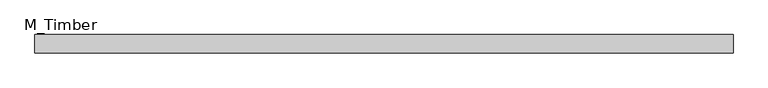
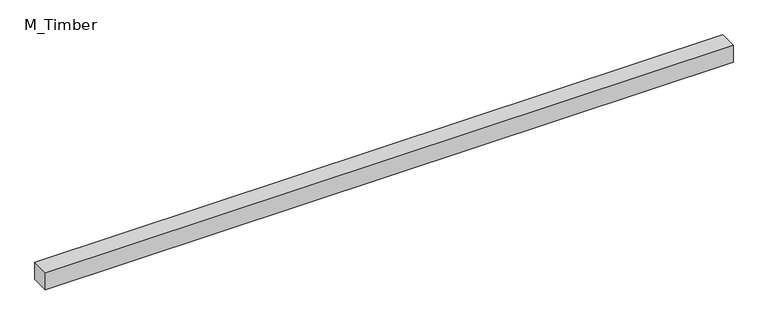
"""IFC4 building model written with IfcOpenShell, lengths in millimetres: beam geometry, M_Timber."""

from ifc_helpers import new_model, si_unit, frame, origin, place, context, project, spatial, polyline, outline, extrude, source, transform, mapped, element, save


def m_timber_fcf956bd(model_context):
    return source(origin(), model_context, "Body", "SweptSolid", [
        extrude(outline(polyline([(760.4898355, 20.0), (760.4898355, -20.0), (-760.4898355, -20.0), (-760.4898355, 20.0), (760.4898355, 20.0)])), frame((0.0, 0.0, -20.0), z_axis=(0.0, 0.0, 1.0), x_axis=(1.0, 0.0, 0.0)), (0.0, 0.0, 1.0), 40.0),
    ])


if __name__ == "__main__":
    model = new_model("IFC4")
    model_context = context("Model", 3, world=origin())
    ifc_project = project(units=[si_unit("LENGTHUNIT", "METRE", prefix="MILLI")], contexts=[model_context])
    site = spatial("IfcSite", under=ifc_project)
    building = spatial("IfcBuilding", under=site)
    placement = place(None, origin())
    m_timber_shape = m_timber_fcf956bd(model_context)
    element("IfcBeam", 1, ObjectType="M_Timber", at=placement, inside=building, context=model_context, shape_type="MappedRepresentation", body=[
        mapped(m_timber_shape, transform((0.0, 0.0, 0.0), x_axis=(1.0, 0.0, 0.0), y_axis=(0.0, 1.0, 0.0), z_axis=(0.0, 0.0, 1.0))),
    ])
    save(model, "model.ifc")
